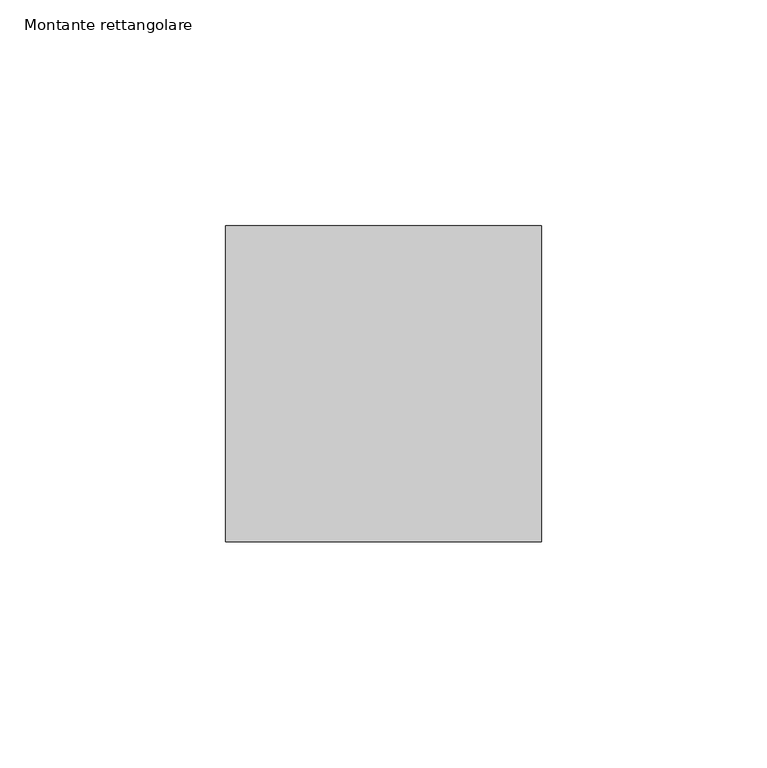
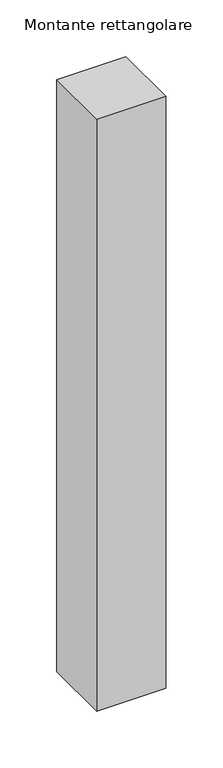
"""IFC4 building model written with IfcOpenShell, lengths in millimetres: member geometry, Montante rettangolare."""

from ifc_helpers import new_model, si_unit, frame, origin, place, context, project, spatial, polyline, outline, extrude, source, transform, mapped, element, save


def montante_rettangolare_96ac9c18(model_context):
    return source(origin(), model_context, "Body", "SweptSolid", [
        extrude(outline(polyline([(35.0, 35.0), (35.0, -35.0), (-35.0, -35.0), (-35.0, 35.0), (35.0, 35.0)])), frame((0.0, 0.0, -634.8361775), z_axis=(0.0, 0.0, 1.0), x_axis=(1.0, 0.0, 0.0)), (0.0, 0.0, 1.0), 634.8361775),
    ])


if __name__ == "__main__":
    model = new_model("IFC4")
    model_context = context("Model", 3, world=origin())
    ifc_project = project(units=[si_unit("LENGTHUNIT", "METRE", prefix="MILLI")], contexts=[model_context])
    site = spatial("IfcSite", under=ifc_project)
    building = spatial("IfcBuilding", under=site)
    placement = place(None, origin())
    montante_rettangolare_shape = montante_rettangolare_96ac9c18(model_context)
    element("IfcMember", 1, ObjectType="Montante rettangolare", at=placement, inside=building, context=model_context, shape_type="MappedRepresentation", body=[
        mapped(montante_rettangolare_shape, transform((0.0, 0.0, 0.0), x_axis=(1.0, 0.0, 0.0), y_axis=(0.0, 1.0, 0.0), z_axis=(0.0, 0.0, 1.0))),
    ])
    save(model, "model.ifc")
